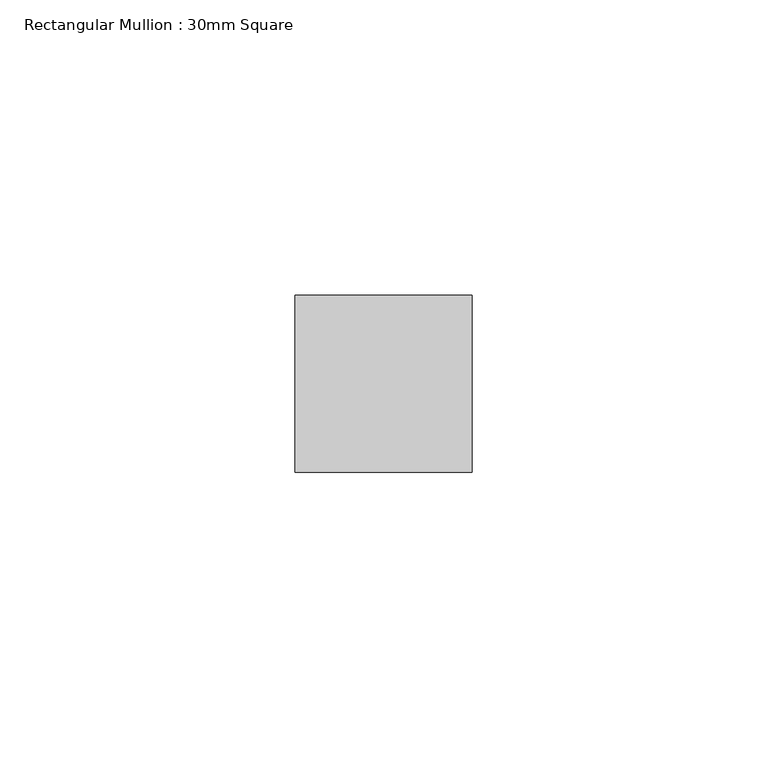
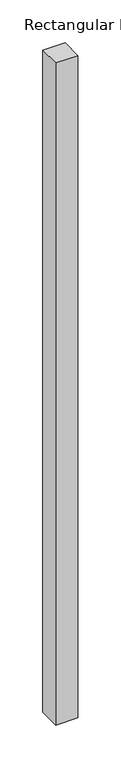
"""IFC4 building model written with IfcOpenShell, lengths in millimetres: member geometry, Rectangular Mullion : 30mm Square."""

from ifc_helpers import new_model, si_unit, frame, origin, place, context, project, spatial, polyline, outline, extrude, source, transform, mapped, element, save


def rectangular_mullion_30mm_square_121d1beb(model_context):
    return source(origin(), model_context, "Body", "SweptSolid", [
        extrude(outline(polyline([(15.0, 15.0), (15.0, -15.0), (-15.0, -15.0), (-15.0, 15.0), (15.0, 15.0)])), frame((0.0, 0.0, -944.8624938), z_axis=(0.0, 0.0, 1.0), x_axis=(1.0, 0.0, 0.0)), (0.0, 0.0, 1.0), 944.8624938),
    ])


if __name__ == "__main__":
    model = new_model("IFC4")
    model_context = context("Model", 3, world=origin())
    ifc_project = project(units=[si_unit("LENGTHUNIT", "METRE", prefix="MILLI")], contexts=[model_context])
    site = spatial("IfcSite", under=ifc_project)
    building = spatial("IfcBuilding", under=site)
    placement = place(None, origin())
    rectangular_mullion_30mm_square_shape = rectangular_mullion_30mm_square_121d1beb(model_context)
    element("IfcMember", 1, ObjectType="Rectangular Mullion : 30mm Square", at=placement, inside=building, context=model_context, shape_type="MappedRepresentation", body=[
        mapped(rectangular_mullion_30mm_square_shape, transform((0.0, 0.0, 0.0), x_axis=(1.0, 0.0, 0.0), y_axis=(0.0, 1.0, 0.0), z_axis=(0.0, 0.0, 1.0))),
    ])
    save(model, "model.ifc")
